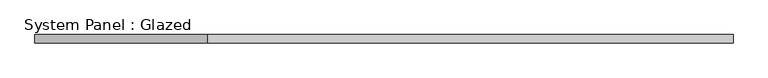
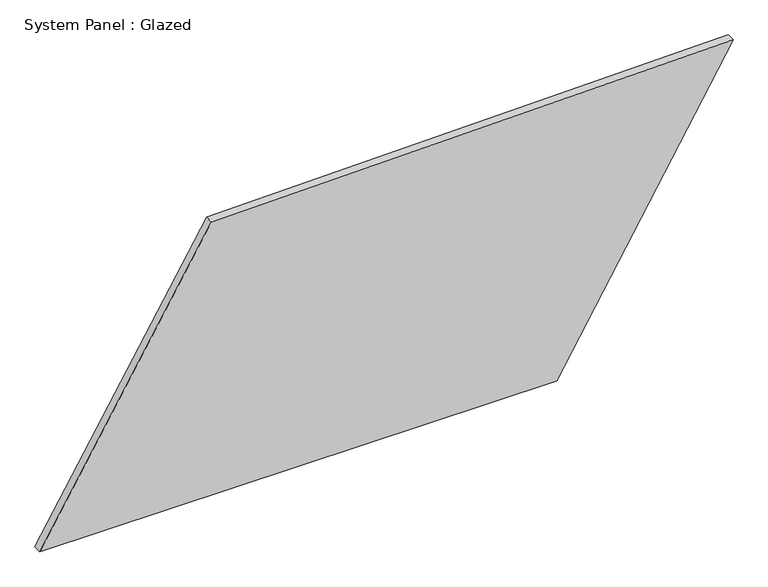
"""IFC4 building model written with IfcOpenShell, lengths in millimetres: plate geometry, System Panel : Glazed."""

from ifc_helpers import new_model, si_unit, frame, origin, place, context, project, spatial, polyline, outline, extrude, source, transform, mapped, element, save


def system_panel_glazed_6da38c47(model_context):
    return source(origin(), model_context, "Body", "SweptSolid", [
        extrude(outline(polyline([(0.0, -1042.3548969), (0.0, 511.9972968), (899.3510405, 1042.3548969), (868.9426788, -526.2911493), (0.0, -1042.3548969)])), frame((0.0, -49.5, 0.0), z_axis=(0.0, 1.0, 0.0), x_axis=(0.0, 0.0, 1.0)), (0.0, 0.0, 1.0), 25.0),
    ])


if __name__ == "__main__":
    model = new_model("IFC4")
    model_context = context("Model", 3, world=origin())
    ifc_project = project(units=[si_unit("LENGTHUNIT", "METRE", prefix="MILLI")], contexts=[model_context])
    site = spatial("IfcSite", under=ifc_project)
    building = spatial("IfcBuilding", under=site)
    placement = place(None, origin())
    system_panel_glazed_shape = system_panel_glazed_6da38c47(model_context)
    element("IfcPlate", 1, ObjectType="System Panel : Glazed", at=placement, inside=building, context=model_context, shape_type="MappedRepresentation", body=[
        mapped(system_panel_glazed_shape, transform((0.0, 0.0, 0.0), x_axis=(1.0, 0.0, 0.0), y_axis=(0.0, 1.0, 0.0), z_axis=(0.0, 0.0, 1.0))),
    ])
    save(model, "model.ifc")
